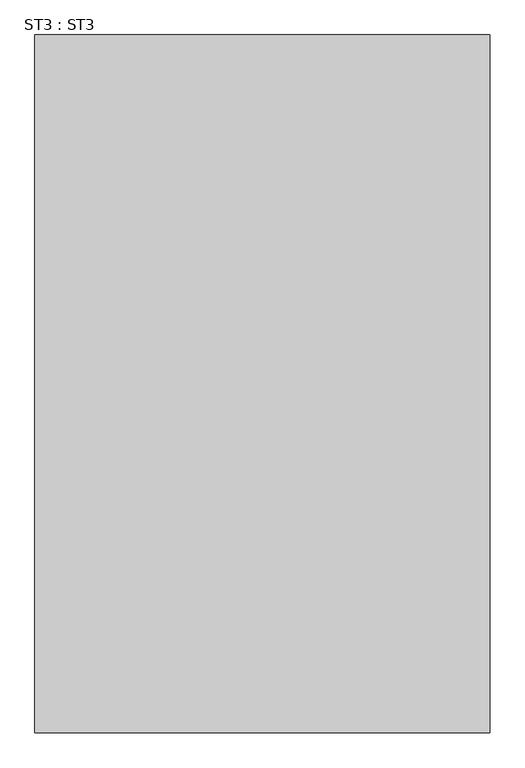
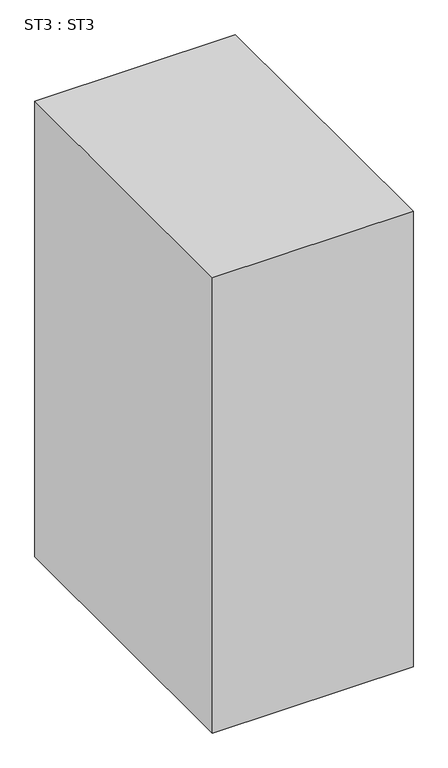
"""IFC4 building model written with IfcOpenShell, lengths in millimetres: proxy geometry, ST3 : ST3."""

import ifcopenshell
import ifcopenshell.guid

model = None  # the IFC model being written
_history = None  # IfcOwnerHistory: only IFC2X3 demands one
_inside = {}  # id of a spatial element -> (the spatial element, [elements in it])
_under = {}  # id of a project, library or spatial element -> (it, [spatial elements below it])
_declared = {}  # id of a project -> (the project, [libraries it declares])
_typed = {}  # id of a type object -> (the type object, [elements of that type])
_made_of = {}  # id of a material, layer set ... -> (it, [elements and type objects made of it])


def new_model(schema):
    """Start an empty IFC model of exactly this schema.

    Asked for "IFC4X3", IfcOpenShell would pick the latest addendum, in which some entities
    have other attributes; the version numbers below select the first issue.
    IFC2X3 requires an IfcOwnerHistory on every rooted entity: one is made here for all.
    """
    global model, _history
    if schema == "IFC4X3":
        model = ifcopenshell.file(schema_version=(4, 3, 0, 0))
    else:
        model = ifcopenshell.file(schema=schema)
    _inside.clear()
    _under.clear()
    _declared.clear()
    _typed.clear()
    _made_of.clear()
    _history = None
    if model.schema == "IFC2X3":
        org = make("IfcOrganization", Name="unknown")
        user = make(
            "IfcPersonAndOrganization",
            ThePerson=make("IfcPerson", FamilyName="unknown"),
            TheOrganization=org,
        )
        app = make(
            "IfcApplication",
            ApplicationDeveloper=org,
            Version="unknown",
            ApplicationFullName="unknown",
            ApplicationIdentifier="unknown",
        )
        _history = make(
            "IfcOwnerHistory",
            OwningUser=user,
            OwningApplication=app,
            ChangeAction="ADDED",
            CreationDate=0,
        )
    return model


def make(cls, **values):
    """One entity of the class cls with the attributes given. An attribute that is None is left unset."""
    return model.create_entity(
        cls, **{name: value for name, value in values.items() if value is not None}
    )


def rooted(cls, **values):
    """An entity with a GlobalId (a new one), such as an element, a storey or a relation."""
    return make(cls, GlobalId=ifcopenshell.guid.new(), OwnerHistory=_history, **values)


def si_unit(unit_type, name, prefix=None):
    """IfcSIUnit, for example si_unit("LENGTHUNIT", "METRE", prefix="MILLI")."""
    return make("IfcSIUnit", UnitType=unit_type, Prefix=prefix, Name=name)


def assignment(units):
    """IfcUnitAssignment: the units of a project."""
    return None if units is None else make("IfcUnitAssignment", Units=units)


def point(xyz):
    """IfcCartesianPoint."""
    return None if xyz is None else make("IfcCartesianPoint", Coordinates=xyz)


def direction(xyz):
    """IfcDirection."""
    return None if xyz is None else make("IfcDirection", DirectionRatios=xyz)


def frame(location, z_axis=None, x_axis=None):
    """IfcAxis2Placement3D, a coordinate frame: its origin and axes. An axis left out is left unset."""
    return make(
        "IfcAxis2Placement3D",
        Location=point(location),
        Axis=direction(z_axis),
        RefDirection=direction(x_axis),
    )


def origin():
    """The frame at (0, 0, 0) with its axes left unset."""
    return frame((0.0, 0.0, 0.0))


def origin_with_axes():
    """The frame at (0, 0, 0) with the z axis (0, 0, 1) and the x axis (1, 0, 0) written out."""
    return frame((0.0, 0.0, 0.0), z_axis=(0.0, 0.0, 1.0), x_axis=(1.0, 0.0, 0.0))


def place(relative_to, where):
    """IfcLocalPlacement: puts the frame where relative to a parent placement (None: the world)."""
    return make(
        "IfcLocalPlacement", PlacementRelTo=relative_to, RelativePlacement=where
    )


def context(
    kind, dimensions, precision=None, world=None, true_north=None, identifier=None
):
    """IfcGeometricRepresentationContext, for example the 3D "Model" context."""
    return make(
        "IfcGeometricRepresentationContext",
        ContextIdentifier=identifier,
        ContextType=kind,
        CoordinateSpaceDimension=dimensions,
        Precision=precision,
        WorldCoordinateSystem=world,
        TrueNorth=true_north,
    )


def project(units=None, contexts=None):
    """IfcProject with its units and contexts."""
    return rooted(
        "IfcProject",
        Name="project",
        RepresentationContexts=contexts,
        UnitsInContext=assignment(units),
    )


def spatial(cls, under=None, at=None, **own):
    """A site, building, storey or space (cls), placed at a placement, below another one or the project."""
    s = rooted(cls, ObjectPlacement=at, **own)
    if under is not None:
        _under.setdefault(under.id(), (under, []))[1].append(s)
    return s


def polyline(points):
    """IfcPolyline through the points."""
    return make("IfcPolyline", Points=[point(p) for p in points])


def outline(outer, holes=None, kind="AREA"):
    """IfcArbitraryClosedProfileDef: a profile drawn as a closed curve; with holes, ...WithVoids."""
    if holes is None:
        return make("IfcArbitraryClosedProfileDef", ProfileType=kind, OuterCurve=outer)
    return make(
        "IfcArbitraryProfileDefWithVoids",
        ProfileType=kind,
        OuterCurve=outer,
        InnerCurves=holes,
    )


def extrude(swept, where, along, depth):
    """IfcExtrudedAreaSolid: the profile swept, set in the frame where, extruded along a direction by depth."""
    return make(
        "IfcExtrudedAreaSolid",
        SweptArea=swept,
        Position=where,
        ExtrudedDirection=direction(along),
        Depth=depth,
    )


def shape(context_of_items, identifier, shape_type, items):
    """IfcShapeRepresentation: the items that make up one representation, for example the "Body"."""
    return make(
        "IfcShapeRepresentation",
        ContextOfItems=context_of_items,
        RepresentationIdentifier=identifier,
        RepresentationType=shape_type,
        Items=items,
    )


def source(mapping_origin, context_of_items, identifier, shape_type, items):
    """IfcRepresentationMap: a shape defined once, which mapped items show again and again."""
    return make(
        "IfcRepresentationMap",
        MappingOrigin=mapping_origin,
        MappedRepresentation=shape(context_of_items, identifier, shape_type, items),
    )


def transform(
    local_origin,
    x_axis=None,
    y_axis=None,
    z_axis=None,
    scale=None,
    scale2=None,
    scale3=None,
    uniform=True,
):
    """IfcCartesianTransformationOperator3D, or its non-uniform kind. x_axis, y_axis, z_axis: its Axis1, 2, 3."""
    if uniform:
        return make(
            "IfcCartesianTransformationOperator3D",
            Axis1=direction(x_axis),
            Axis2=direction(y_axis),
            LocalOrigin=point(local_origin),
            Scale=scale,
            Axis3=direction(z_axis),
        )
    return make(
        "IfcCartesianTransformationOperator3DnonUniform",
        Axis1=direction(x_axis),
        Axis2=direction(y_axis),
        LocalOrigin=point(local_origin),
        Scale=scale,
        Axis3=direction(z_axis),
        Scale2=scale2,
        Scale3=scale3,
    )


def mapped(mapping_source, mapping_target):
    """IfcMappedItem: shows the shape of a source again, moved by a transform."""
    return make(
        "IfcMappedItem", MappingSource=mapping_source, MappingTarget=mapping_target
    )


def made_of(thing, what):
    """Note that an element or type object is made of a material, layer set ...; save() writes the relation."""
    if what is not None:
        _made_of.setdefault(what.id(), (what, []))[1].append(thing)
    return thing


def element(
    cls,
    number,
    at=None,
    inside=None,
    cuts=None,
    type_object=None,
    material=None,
    context=None,
    identifier="Body",
    shape_type=None,
    held_by="IfcProductDefinitionShape",
    body=None,
    shapes=None,
    **own,
):
    """One element of the class cls, such as IfcWall. Its Tag is "e" and its number.

    at: its placement. inside: the storey or other place that contains it. cuts: it is an
    opening in that element (IfcRelVoidsElement). A single representation is given by context,
    identifier, shape_type and body (its items); several are given by shapes. held_by: the class
    of the entity that holds the representations. save() writes the other relations.
    """
    e = rooted(cls, Tag="e%d" % number, ObjectPlacement=at, **own)
    if body is not None:
        shapes = [shape(context, identifier, shape_type, body)]
    if shapes is not None:
        e.Representation = make(held_by, Representations=shapes)
    if inside is not None:
        _inside.setdefault(inside.id(), (inside, []))[1].append(e)
    if cuts is not None:
        rooted(
            "IfcRelVoidsElement", RelatingBuildingElement=cuts, RelatedOpeningElement=e
        )
    if type_object is not None:
        _typed.setdefault(type_object.id(), (type_object, []))[1].append(e)
    return made_of(e, material)


def aggregate(whole, parts):
    """IfcRelAggregates: a whole, such as a stair, and the parts it consists of."""
    return rooted("IfcRelAggregates", RelatingObject=whole, RelatedObjects=parts)


def save(model, path):
    """Write the relations noted so far, then the file.

    IfcRelAggregates (storeys below a building ...), IfcRelContainedInSpatialStructure (elements
    in a storey), IfcRelDefinesByType, IfcRelAssociatesMaterial and IfcRelDeclares: one each for
    every whole, place, type object, material and project.
    """
    for whole, parts in _under.values():
        aggregate(whole, parts)
    for where, things in _inside.values():
        rooted(
            "IfcRelContainedInSpatialStructure",
            RelatedElements=things,
            RelatingStructure=where,
        )
    for kind, things in _typed.values():
        rooted("IfcRelDefinesByType", RelatedObjects=things, RelatingType=kind)
    for what, things in _made_of.values():
        rooted("IfcRelAssociatesMaterial", RelatedObjects=things, RelatingMaterial=what)
    for by, libraries in _declared.values():
        rooted("IfcRelDeclares", RelatingContext=by, RelatedDefinitions=libraries)
    model.write(path)


def st3_st3_d8662870(model_context):
    return source(origin(), model_context, "Body", "SweptSolid", [
        extrude(outline(polyline([(381.0, -584.2), (-381.0, -584.2), (-381.0, 584.2), (381.0, 584.2), (381.0, -584.2)])), origin_with_axes(), (0.0, 0.0, 1.0), 1828.8),
    ])


if __name__ == "__main__":
    model = new_model("IFC4")
    model_context = context("Model", 3, world=origin())
    ifc_project = project(units=[si_unit("LENGTHUNIT", "METRE", prefix="MILLI")], contexts=[model_context])
    site = spatial("IfcSite", under=ifc_project)
    building = spatial("IfcBuilding", under=site)
    placement = place(None, origin())
    st3_st3_shape = st3_st3_d8662870(model_context)
    element("IfcBuildingElementProxy", 1, Name="ST3 : ST3", ObjectType="ST3 : ST3", at=placement, inside=building, context=model_context, shape_type="MappedRepresentation", body=[
        mapped(st3_st3_shape, transform((0.0, 0.0, 0.0), x_axis=(1.0, 0.0, 0.0), y_axis=(0.0, 1.0, 0.0), z_axis=(0.0, 0.0, 1.0))),
    ])
    save(model, "model.ifc")
